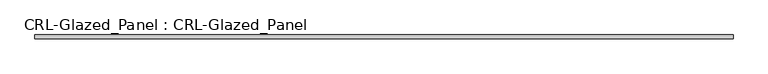
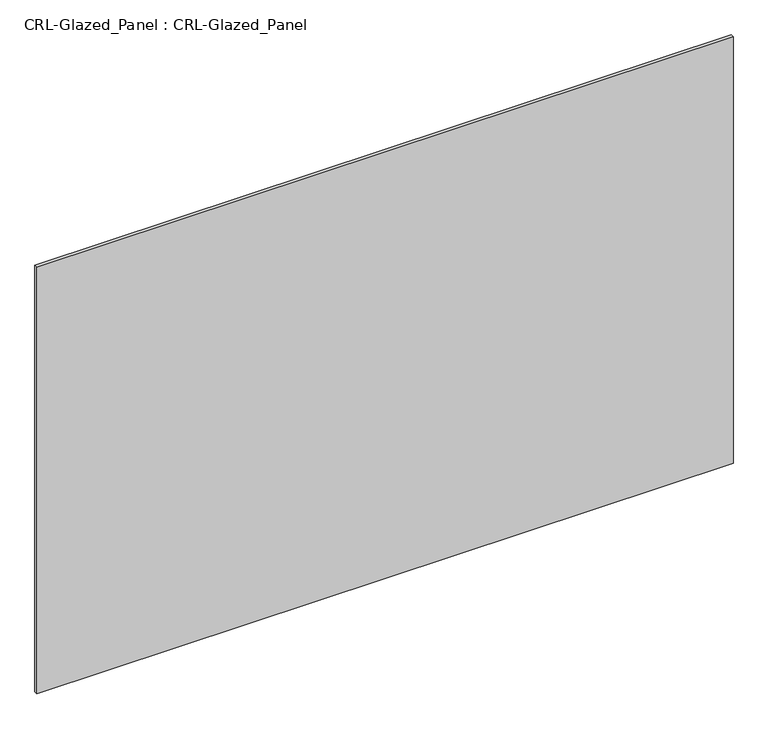
"""IFC4 building model written with IfcOpenShell, lengths in millimetres: plate geometry, CRL-Glazed_Panel : CRL-Glazed_Panel."""

from ifc_helpers import new_model, si_unit, origin, origin_with_axes, place, context, project, spatial, polyline, outline, extrude, source, transform, mapped, element, save


def crl_glazed_panel_crl_glazed_panel_86d1f9e9(model_context):
    return source(origin(), model_context, "Body", "SweptSolid", [
        extrude(outline(polyline([(613.8333298, 3.1749999), (613.8333298, -3.1749999), (-613.8333298, -3.1749999), (-613.8333298, 3.1749999), (613.8333298, 3.1749999)])), origin_with_axes(), (0.0, 0.0, 1.0), 794.5565195),
    ])


if __name__ == "__main__":
    model = new_model("IFC4")
    model_context = context("Model", 3, world=origin())
    ifc_project = project(units=[si_unit("LENGTHUNIT", "METRE", prefix="MILLI")], contexts=[model_context])
    site = spatial("IfcSite", under=ifc_project)
    building = spatial("IfcBuilding", under=site)
    placement = place(None, origin())
    crl_glazed_panel_crl_glazed_panel_shape = crl_glazed_panel_crl_glazed_panel_86d1f9e9(model_context)
    element("IfcPlate", 1, ObjectType="CRL-Glazed_Panel : CRL-Glazed_Panel", at=placement, inside=building, context=model_context, shape_type="MappedRepresentation", body=[
        mapped(crl_glazed_panel_crl_glazed_panel_shape, transform((0.0, 0.0, 0.0), x_axis=(1.0, 0.0, 0.0), y_axis=(0.0, 1.0, 0.0), z_axis=(0.0, 0.0, 1.0))),
    ])
    save(model, "model.ifc")
